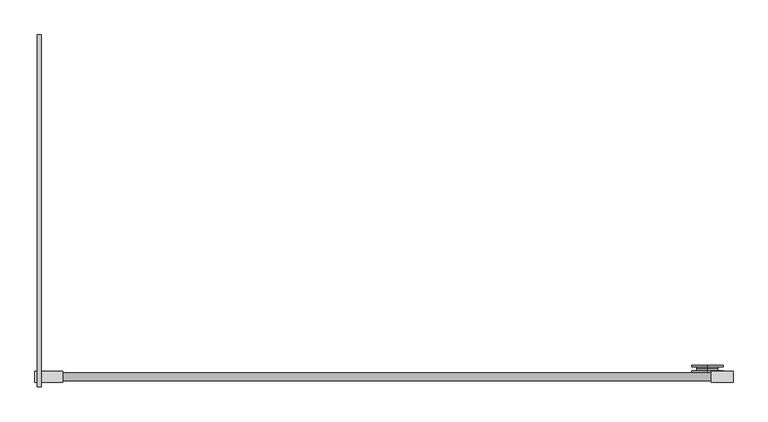
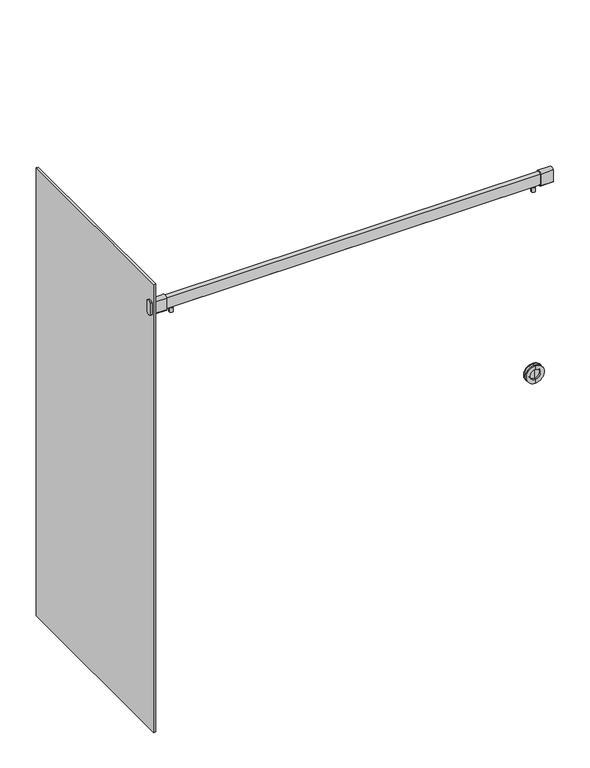
"""IFC4 building model written with IfcOpenShell, lengths in millimetres: proxy geometry."""

from ifc_helpers import new_model, si_unit, point, frame, frame_2d, origin, place, context, project, spatial, polyline, circle_curve, trimmed, segment, composite_curve, outline, extrude, source, transform, mapped, element, save
from ifc_brep_helpers import plane_surface, cylinder_surface, revolved_surface, advanced_brep


def specialty_equipment_451c2e2a(model_context):
    return source(origin(), model_context, "Body", "SolidModel", [
        advanced_brep(
        [(830.2625, 33.8125, 1117.6), (830.2625, 33.8125, 1035.05), (830.2625, 29.05, 1035.05), (830.2625, 29.05, 1117.6), (830.2625, 33.8125, 1103.3125), (830.2625, 33.8125, 1049.3375), (830.2625, 38.575, 1103.3125), (830.2625, 38.575, 1049.3375), (830.2625, 38.575, 1076.325), (830.2625, 37.78125, 1100.1375), (830.2625, 37.78125, 1052.5125), (830.2625, 37.78125, 1076.325), (830.2625, 29.05, 1100.1375), (830.2625, 29.05, 1052.5125)],
        [
            (0, 1, circle_curve(frame((830.2625, 33.8125, 1076.325), z_axis=(0.0, -1.0, 0.0), x_axis=(0.0, 0.0, -1.0)), 41.275)),
            (1, 2),
            (2, 3, circle_curve(frame((830.2625, 29.05, 1076.325), z_axis=(0.0, 1.0, 0.0), x_axis=(0.0, 0.0, -1.0)), 41.275)),
            (3, 0),
            (1, 0, circle_curve(frame((830.2625, 33.8125, 1076.325), z_axis=(0.0, -1.0, 0.0), x_axis=(0.0, 0.0, -1.0)), 41.275)),
            (3, 2, circle_curve(frame((830.2625, 29.05, 1076.325), z_axis=(0.0, 1.0, 0.0), x_axis=(0.0, 0.0, -1.0)), 41.275)),
            (4, 5, circle_curve(frame((830.2625, 33.8125, 1076.325), z_axis=(0.0, -1.0, 0.0), x_axis=(0.0, 0.0, -1.0)), 26.9875)),
            (5, 1),
            (0, 4),
            (5, 4, circle_curve(frame((830.2625, 33.8125, 1076.325), z_axis=(0.0, -1.0, 0.0), x_axis=(0.0, 0.0, -1.0)), 26.9875)),
            (6, 7, circle_curve(frame((830.2625, 38.575, 1076.325), z_axis=(0.0, -1.0, 0.0), x_axis=(0.0, 0.0, -1.0)), 26.9875)),
            (7, 5),
            (4, 6),
            (7, 6, circle_curve(frame((830.2625, 38.575, 1076.325), z_axis=(0.0, -1.0, 0.0), x_axis=(0.0, 0.0, -1.0)), 26.9875)),
            (8, 7),
            (6, 8),
            (9, 10, circle_curve(frame((830.2625, 37.78125, 1076.325), z_axis=(0.0, -1.0, 0.0), x_axis=(0.0, 0.0, -1.0)), 23.8125)),
            (10, 11),
            (11, 9),
            (10, 9, circle_curve(frame((830.2625, 37.78125, 1076.325), z_axis=(0.0, -1.0, 0.0), x_axis=(0.0, 0.0, -1.0)), 23.8125)),
            (12, 13, circle_curve(frame((830.2625, 29.05, 1076.325), z_axis=(0.0, -1.0, 0.0), x_axis=(0.0, 0.0, -1.0)), 23.8125)),
            (13, 10),
            (9, 12),
            (13, 12, circle_curve(frame((830.2625, 29.05, 1076.325), z_axis=(0.0, -1.0, 0.0), x_axis=(0.0, 0.0, -1.0)), 23.8125)),
            (2, 13),
            (12, 3),
        ],
        [
            cylinder_surface(frame((830.2625, -13.175, 1076.325), z_axis=(0.0, 1.0, 0.0), x_axis=(0.0, 0.0, -1.0)), 41.275),
            plane_surface(frame((830.2625, 33.8125, 1076.325), z_axis=(0.0, 1.0, 0.0), x_axis=(0.0, 0.0, -1.0))),
            cylinder_surface(frame((830.2625, -13.175, 1076.325), z_axis=(0.0, 1.0, 0.0), x_axis=(0.0, 0.0, -1.0)), 26.9875),
            plane_surface(frame((830.2625, 38.575, 1076.325), z_axis=(0.0, 1.0, 0.0), x_axis=(0.0, 0.0, -1.0))),
            plane_surface(frame((830.2625, 37.78125, 1076.325), z_axis=(0.0, -1.0, 0.0), x_axis=(0.0, 0.0, -1.0))),
            revolved_surface(polyline([(830.2625, 37.78125, 1052.5125), (830.2625, 29.05, 1052.5125)]), (830.2625, -13.175, 1076.325), (0.0, 1.0, 0.0)),
            plane_surface(frame((830.2625, 29.05, 1076.325), z_axis=(0.0, -1.0, 0.0), x_axis=(0.0, 0.0, -1.0))),
        ],
        [
            (0, [[1, 2, 3, 4]]),
            (0, [[5, -4, 6, -2]]),
            (1, [[7, 8, -1, 9]]),
            (1, [[10, -9, -5, -8]]),
            (2, [[11, 12, -7, 13]]),
            (2, [[14, -13, -10, -12]]),
            (3, [[15, -11, 16]]),
            (3, [[-16, -14, -15]]),
            (4, [[17, 18, 19]]),
            (4, [[20, -19, -18]]),
            (5, [[21, 22, -17, 23]]),
            (5, [[24, -23, -20, -22]]),
            (6, [[-3, 25, -21, 26]]),
            (6, [[-6, -26, -24, -25]]),
        ],
    ),
        advanced_brep(
        [(830.2625, 48.1, 1100.1375), (830.2625, 48.1, 1052.5125), (830.2625, 48.1, 1035.05), (830.2625, 48.1, 1117.6), (830.2625, 39.36875, 1100.1375), (830.2625, 39.36875, 1052.5125), (830.2625, 39.36875, 1076.325), (830.2625, 38.575, 1103.3125), (830.2625, 38.575, 1049.3375), (830.2625, 38.575, 1076.325), (830.2625, 43.3375, 1103.3125), (830.2625, 43.3375, 1049.3375), (830.2625, 43.3375, 1117.6), (830.2625, 43.3375, 1035.05)],
        [
            (0, 1, circle_curve(frame((830.2625, 48.1, 1076.325), z_axis=(0.0, -1.0, 0.0), x_axis=(0.0, 0.0, -1.0)), 23.8125)),
            (1, 2),
            (2, 3, circle_curve(frame((830.2625, 48.1, 1076.325), z_axis=(0.0, 1.0, 0.0), x_axis=(0.0, 0.0, -1.0)), 41.275)),
            (3, 0),
            (1, 0, circle_curve(frame((830.2625, 48.1, 1076.325), z_axis=(0.0, -1.0, 0.0), x_axis=(0.0, 0.0, -1.0)), 23.8125)),
            (3, 2, circle_curve(frame((830.2625, 48.1, 1076.325), z_axis=(0.0, 1.0, 0.0), x_axis=(0.0, 0.0, -1.0)), 41.275)),
            (4, 5, circle_curve(frame((830.2625, 39.36875, 1076.325), z_axis=(0.0, -1.0, 0.0), x_axis=(0.0, 0.0, -1.0)), 23.8125)),
            (5, 1),
            (0, 4),
            (5, 4, circle_curve(frame((830.2625, 39.36875, 1076.325), z_axis=(0.0, -1.0, 0.0), x_axis=(0.0, 0.0, -1.0)), 23.8125)),
            (6, 5),
            (4, 6),
            (7, 8, circle_curve(frame((830.2625, 38.575, 1076.325), z_axis=(0.0, -1.0, 0.0), x_axis=(0.0, 0.0, -1.0)), 26.9875)),
            (8, 9),
            (9, 7),
            (8, 7, circle_curve(frame((830.2625, 38.575, 1076.325), z_axis=(0.0, -1.0, 0.0), x_axis=(0.0, 0.0, -1.0)), 26.9875)),
            (10, 11, circle_curve(frame((830.2625, 43.3375, 1076.325), z_axis=(0.0, -1.0, 0.0), x_axis=(0.0, 0.0, -1.0)), 26.9875)),
            (11, 8),
            (7, 10),
            (11, 10, circle_curve(frame((830.2625, 43.3375, 1076.325), z_axis=(0.0, -1.0, 0.0), x_axis=(0.0, 0.0, -1.0)), 26.9875)),
            (12, 13, circle_curve(frame((830.2625, 43.3375, 1076.325), z_axis=(0.0, -1.0, 0.0), x_axis=(0.0, 0.0, -1.0)), 41.275)),
            (13, 11),
            (10, 12),
            (13, 12, circle_curve(frame((830.2625, 43.3375, 1076.325), z_axis=(0.0, -1.0, 0.0), x_axis=(0.0, 0.0, -1.0)), 41.275)),
            (2, 13),
            (12, 3),
        ],
        [
            plane_surface(frame((830.2625, 48.1, 1076.325), z_axis=(0.0, 1.0, 0.0), x_axis=(0.0, 0.0, -1.0))),
            revolved_surface(polyline([(830.2625, 48.1, 1052.5125), (830.2625, 39.36875, 1052.5125)]), (830.2625, 5.875, 1076.325), (0.0, 1.0, 0.0)),
            plane_surface(frame((830.2625, 39.36875, 1076.325), z_axis=(0.0, 1.0, 0.0), x_axis=(0.0, 0.0, -1.0))),
            plane_surface(frame((830.2625, 38.575, 1076.325), z_axis=(0.0, -1.0, 0.0), x_axis=(0.0, 0.0, -1.0))),
            cylinder_surface(frame((830.2625, 5.875, 1076.325), z_axis=(0.0, 1.0, 0.0), x_axis=(0.0, 0.0, -1.0)), 26.9875),
            plane_surface(frame((830.2625, 43.3375, 1076.325), z_axis=(0.0, -1.0, 0.0), x_axis=(0.0, 0.0, -1.0))),
            cylinder_surface(frame((830.2625, 5.875, 1076.325), z_axis=(0.0, 1.0, 0.0), x_axis=(0.0, 0.0, -1.0)), 41.275),
        ],
        [
            (0, [[1, 2, 3, 4]]),
            (0, [[5, -4, 6, -2]]),
            (1, [[7, 8, -1, 9]]),
            (1, [[10, -9, -5, -8]]),
            (2, [[11, -7, 12]]),
            (2, [[-12, -10, -11]]),
            (3, [[13, 14, 15]]),
            (3, [[16, -15, -14]]),
            (4, [[17, 18, -13, 19]]),
            (4, [[20, -19, -16, -18]]),
            (5, [[21, 22, -17, 23]]),
            (5, [[24, -23, -20, -22]]),
            (6, [[-3, 25, -21, 26]]),
            (6, [[-6, -26, -24, -25]]),
        ],
    ),
        extrude(outline(composite_curve([segment(trimmed(circle_curve(frame_2d((17.4625, 1994.4776496)), 17.8435), [point((31.496, 1983.4571519))], [point((3.429, 1983.4571519))], False, "CARTESIAN"), True, "CONTINUOUS"), segment(polyline([(3.429, 1983.4571519), (3.429, 2039.0771779)]), True, "CONTINUOUS"), segment(trimmed(circle_curve(frame_2d((17.4625, 2028.0566802)), 17.8435), [point((3.429, 2039.0771779))], [point((31.496, 2039.0771779))], False, "CARTESIAN"), True, "CONTINUOUS"), segment(polyline([(31.496, 2039.0771779), (31.496, 1983.4571519)]), True, "CONTINUOUS")], self_intersect=False)), frame((-912.8125, 0.0, 0.0), z_axis=(1.0, 0.0, 0.0), x_axis=(0.0, 1.0, 0.0)), (0.0, 0.0, 1.0), 6.35),
        extrude(outline(composite_curve([segment(trimmed(circle_curve(frame_2d((-813.8315907, 17.1696557)), 8.9754819), [point((-822.8070726, 17.1696557))], [point((-804.8561089, 17.1696557))], False, "CARTESIAN"), True, "CONTINUOUS"), segment(trimmed(circle_curve(frame_2d((-813.8315907, 17.1696557)), 8.9754819), [point((-804.8561089, 17.1696557))], [point((-822.8070726, 17.1696557))], False, "CARTESIAN"), True, "CONTINUOUS")], self_intersect=False)), frame((0.0, 0.0, 1960.0969845), z_axis=(0.0, 0.0, 1.0), x_axis=(1.0, 0.0, 0.0)), (0.0, 0.0, 1.0), 21.1738233),
        extrude(outline(composite_curve([segment(polyline([(27.78125, 2035.9788834), (27.78125, 1986.5554464)]), True, "CONTINUOUS"), segment(trimmed(circle_curve(frame_2d((17.4625, 1994.1254207)), 12.7976995), [point((27.78125, 1986.5554464))], [point((7.14375, 1986.5554464))], False, "CARTESIAN"), True, "CONTINUOUS"), segment(polyline([(7.14375, 1986.5554464), (7.14375, 2035.9788834)]), True, "CONTINUOUS"), segment(trimmed(circle_curve(frame_2d((17.4625, 2028.408909)), 12.7976995), [point((7.14375, 2035.9788834))], [point((27.78125, 2035.9788834))], False, "CARTESIAN"), True, "CONTINUOUS")], self_intersect=False)), frame((-840.5749, 0.0, 0.0), z_axis=(1.0, 0.0, 0.0), x_axis=(0.0, 1.0, 0.0)), (0.0, 0.0, 1.0), 1681.1498),
        extrude(outline(composite_curve([segment(trimmed(circle_curve(frame_2d((813.8315907, 17.1696557)), 8.9754819), [point((822.8070726, 17.1696557))], [point((804.8561089, 17.1696557))], False, "CARTESIAN"), True, "CONTINUOUS"), segment(trimmed(circle_curve(frame_2d((813.8315907, 17.1696557)), 8.9754819), [point((804.8561089, 17.1696557))], [point((822.8070726, 17.1696557))], False, "CARTESIAN"), True, "CONTINUOUS")], self_intersect=False)), frame((0.0, 0.0, 1960.0969845), z_axis=(0.0, 0.0, 1.0), x_axis=(1.0, 0.0, 0.0)), (0.0, 0.0, 1.0), 21.1738233),
        extrude(outline(composite_curve([segment(trimmed(circle_curve(frame_2d((17.4625, 1994.4776496)), 17.8435), [point((31.496, 1983.4571519))], [point((3.429, 1983.4571519))], False, "CARTESIAN"), True, "CONTINUOUS"), segment(polyline([(3.429, 1983.4571519), (3.429, 2039.0771779)]), True, "CONTINUOUS"), segment(trimmed(circle_curve(frame_2d((17.4625, 2028.0566802)), 17.8435), [point((3.429, 2039.0771779))], [point((31.496, 2039.0771779))], False, "CARTESIAN"), True, "CONTINUOUS"), segment(polyline([(31.496, 2039.0771779), (31.496, 1983.4571519)]), True, "CONTINUOUS")], self_intersect=False)), frame((840.5749, 0.0, 0.0), z_axis=(1.0, 0.0, 0.0), x_axis=(0.0, 1.0, 0.0)), (0.0, 0.0, 1.0), 56.3626),
        extrude(outline(composite_curve([segment(trimmed(circle_curve(frame_2d((17.4625, 1994.4776496)), 17.8435), [point((31.496, 1983.4571519))], [point((3.429, 1983.4571519))], False, "CARTESIAN"), True, "CONTINUOUS"), segment(polyline([(3.429, 1983.4571519), (3.429, 2039.0771779)]), True, "CONTINUOUS"), segment(trimmed(circle_curve(frame_2d((17.4625, 2028.0566802)), 17.8435), [point((3.429, 2039.0771779))], [point((31.496, 2039.0771779))], False, "CARTESIAN"), True, "CONTINUOUS"), segment(polyline([(31.496, 2039.0771779), (31.496, 1983.4571519)]), True, "CONTINUOUS")], self_intersect=False)), frame((-896.9375, 0.0, 0.0), z_axis=(1.0, 0.0, 0.0), x_axis=(0.0, 1.0, 0.0)), (0.0, 0.0, 1.0), 56.3626),
        extrude(outline(polyline([(-896.9375, 904.875), (-896.9375, -8.73125), (-906.4625, -8.73125), (-906.4625, 904.875), (-896.9375, 904.875)])), frame((0.0, 0.0, 6.35), z_axis=(0.0, 0.0, 1.0), x_axis=(1.0, 0.0, 0.0)), (0.0, 0.0, 1.0), 2127.25),
    ])


if __name__ == "__main__":
    model = new_model("IFC4")
    model_context = context("Model", 3, world=origin())
    ifc_project = project(units=[si_unit("LENGTHUNIT", "METRE", prefix="MILLI")], contexts=[model_context])
    site = spatial("IfcSite", under=ifc_project)
    building = spatial("IfcBuilding", under=site)
    placement = place(None, origin())
    specialty_equipment_shape = specialty_equipment_451c2e2a(model_context)
    element("IfcBuildingElementProxy", 1, Name="Specialty Equipment", at=placement, inside=building, context=model_context, shape_type="MappedRepresentation", body=[
        mapped(specialty_equipment_shape, transform((0.0, 0.0, 0.0), x_axis=(1.0, 0.0, 0.0), y_axis=(0.0, 1.0, 0.0), z_axis=(0.0, 0.0, 1.0))),
    ])
    save(model, "model.ifc")
